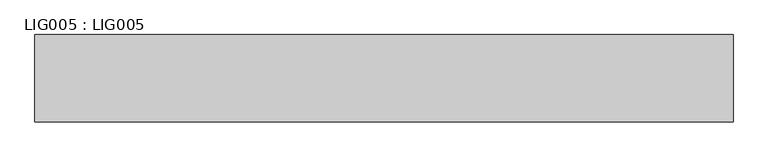
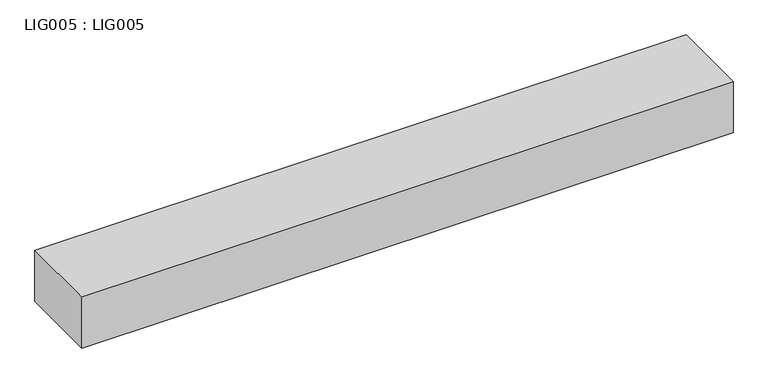
"""IFC4 building model written with IfcOpenShell, lengths in millimetres: proxy geometry, LIG005 : LIG005."""

from ifc_helpers import new_model, si_unit, origin, origin_with_axes, place, context, project, spatial, polyline, outline, extrude, source, transform, mapped, element, save


def lig005_lig005_115e2b82(model_context):
    return source(origin(), model_context, "Body", "SweptSolid", [
        extrude(outline(polyline([(1200.0000092, 0.0), (1200.0000092, -150.0000011), (0.0, -150.0000011), (0.0, 0.0), (1200.0000092, 0.0)])), origin_with_axes(), (0.0, 0.0, 1.0), 100.0000008),
    ])


if __name__ == "__main__":
    model = new_model("IFC4")
    model_context = context("Model", 3, world=origin())
    ifc_project = project(units=[si_unit("LENGTHUNIT", "METRE", prefix="MILLI")], contexts=[model_context])
    site = spatial("IfcSite", under=ifc_project)
    building = spatial("IfcBuilding", under=site)
    placement = place(None, origin())
    lig005_lig005_shape = lig005_lig005_115e2b82(model_context)
    element("IfcBuildingElementProxy", 1, Name="LIG005 : LIG005", ObjectType="LIG005 : LIG005", at=placement, inside=building, context=model_context, shape_type="MappedRepresentation", body=[
        mapped(lig005_lig005_shape, transform((0.0, 0.0, 0.0), x_axis=(1.0, 0.0, 0.0), y_axis=(0.0, 1.0, 0.0), z_axis=(0.0, 0.0, 1.0))),
    ])
    save(model, "model.ifc")
